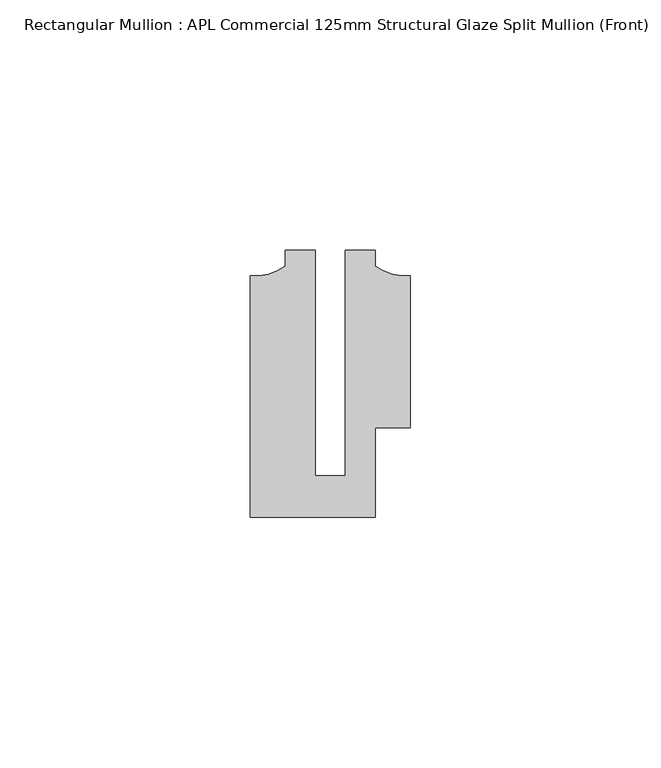
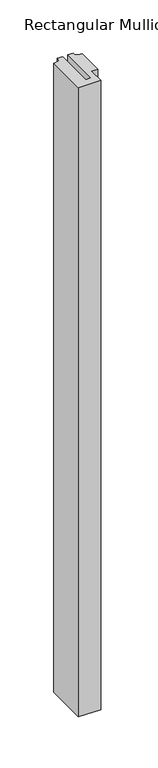
"""IFC4 building model written with IfcOpenShell, lengths in millimetres: member geometry, Rectangular Mullion : APL Commercial 125mm Structural Glaze Split Mullion (Front)."""

from ifc_helpers import new_model, si_unit, point, frame, frame_2d, origin, place, context, project, spatial, polyline, circle_curve, trimmed, segment, composite_curve, outline, extrude, source, transform, mapped, element, save


def rectangular_mullion_apl_commercial_125mm_structural_glaze_c437f8dc(model_context):
    return source(origin(), model_context, "Body", "SweptSolid", [
        extrude(outline(composite_curve([segment(polyline([(15.9999391, -14.9953356), (9.0, -14.9953356), (9.0, -32.7960123), (-15.9999391, -32.7960123), (-15.9999391, 15.3837352)]), True, "CONTINUOUS"), segment(trimmed(circle_curve(frame_2d((-15.1098019, 25.802169)), 10.4563907), [point((-15.9999391, 15.3837352))], [point((-8.9999842, 17.3165203))], True, "CARTESIAN"), True, "CONTINUOUS"), segment(polyline([(-8.9999842, 17.3165203), (-8.9999842, 20.5039877), (-2.9999659, 20.5039877), (-2.9999659, -24.5130805), (2.9999676, -24.5130805), (2.9999676, 20.5039877), (8.9999842, 20.5039877), (8.9999842, 17.3165203)]), True, "CONTINUOUS"), segment(trimmed(circle_curve(frame_2d((15.1098019, 25.802169)), 10.4563907), [point((8.9999842, 17.3165203))], [point((15.9999391, 15.3837352))], True, "CARTESIAN"), True, "CONTINUOUS"), segment(polyline([(15.9999391, 15.3837352), (15.9999391, -14.9953356)]), True, "CONTINUOUS")], self_intersect=False)), frame((0.0, 0.0, -751.0229426), z_axis=(0.0, 0.0, 1.0), x_axis=(1.0, 0.0, 0.0)), (0.0, 0.0, 1.0), 751.0229426),
    ])


if __name__ == "__main__":
    model = new_model("IFC4")
    model_context = context("Model", 3, world=origin())
    ifc_project = project(units=[si_unit("LENGTHUNIT", "METRE", prefix="MILLI")], contexts=[model_context])
    site = spatial("IfcSite", under=ifc_project)
    building = spatial("IfcBuilding", under=site)
    placement = place(None, origin())
    rectangular_mullion_apl_commercial_125mm_structural_glaze_shape = rectangular_mullion_apl_commercial_125mm_structural_glaze_c437f8dc(model_context)
    element("IfcMember", 1, ObjectType="Rectangular Mullion : APL Commercial 125mm Structural Glaze Split Mullion (Front)", at=placement, inside=building, context=model_context, shape_type="MappedRepresentation", body=[
        mapped(rectangular_mullion_apl_commercial_125mm_structural_glaze_shape, transform((0.0, 0.0, 0.0), x_axis=(1.0, 0.0, 0.0), y_axis=(0.0, 1.0, 0.0), z_axis=(0.0, 0.0, 1.0))),
    ])
    save(model, "model.ifc")
